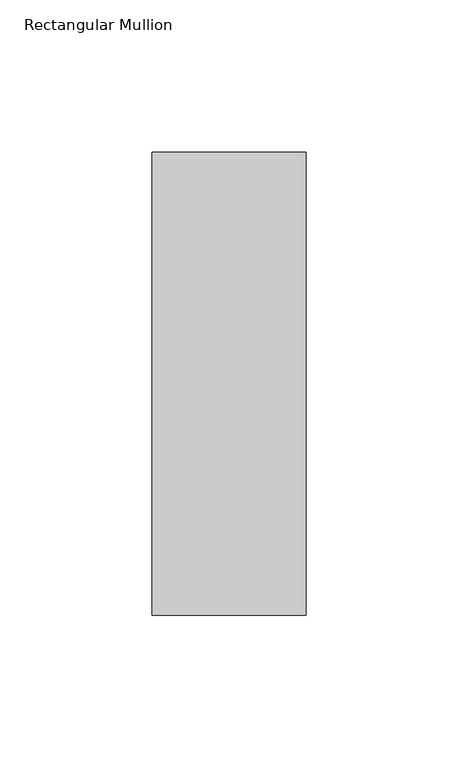
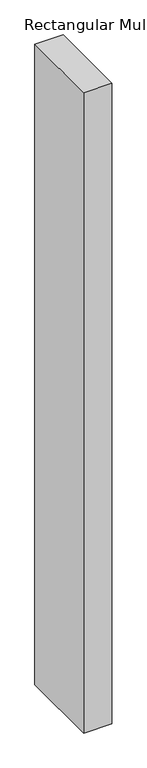
"""IFC4 building model written with IfcOpenShell, lengths in millimetres: member geometry, Rectangular Mullion."""

from ifc_helpers import new_model, si_unit, frame, origin, place, context, project, spatial, polyline, outline, extrude, source, transform, mapped, element, save


def rectangular_mullion_2085cf7c(model_context):
    return source(origin(), model_context, "Body", "SweptSolid", [
        extrude(outline(polyline([(-25.4, 26.19375), (25.4, 26.19375), (25.4, -126.20625), (-25.4, -126.20625), (-25.4, 26.19375)])), frame((0.0, 0.0, -1219.2), z_axis=(0.0, 0.0, 1.0), x_axis=(1.0, 0.0, 0.0)), (0.0, 0.0, 1.0), 1219.2),
    ])


if __name__ == "__main__":
    model = new_model("IFC4")
    model_context = context("Model", 3, world=origin())
    ifc_project = project(units=[si_unit("LENGTHUNIT", "METRE", prefix="MILLI")], contexts=[model_context])
    site = spatial("IfcSite", under=ifc_project)
    building = spatial("IfcBuilding", under=site)
    placement = place(None, origin())
    rectangular_mullion_shape = rectangular_mullion_2085cf7c(model_context)
    element("IfcMember", 1, ObjectType="Rectangular Mullion", at=placement, inside=building, context=model_context, shape_type="MappedRepresentation", body=[
        mapped(rectangular_mullion_shape, transform((0.0, 0.0, 0.0), x_axis=(1.0, 0.0, 0.0), y_axis=(0.0, 1.0, 0.0), z_axis=(0.0, 0.0, 1.0))),
    ])
    save(model, "model.ifc")
